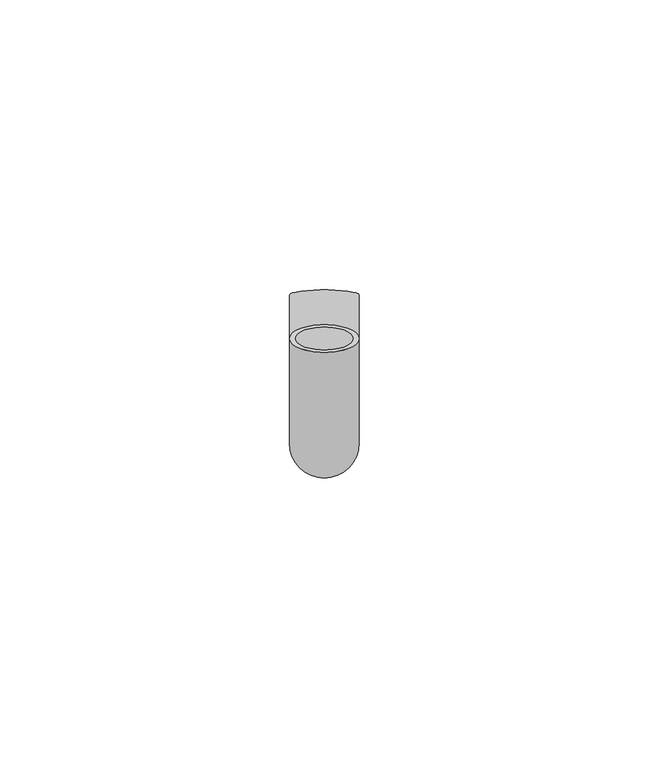
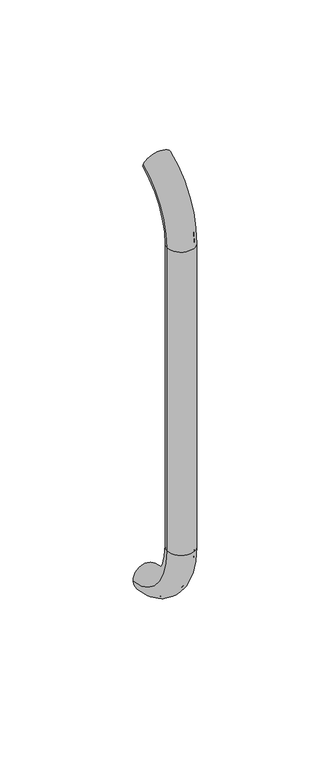
"""IFC4 building model written with IfcOpenShell, lengths in millimetres: beam geometry."""

from ifc_helpers import new_model, si_unit, point, frame, origin, place, context, project, spatial, polyline, circle_curve, ellipse_curve, trimmed, source, transform, mapped, element, save
from ifc_brep_helpers import plane_surface, cylinder_surface, revolved_surface, advanced_brep


def beam_13ada650(model_context):
    return source(origin(), model_context, "Body", "AdvancedBrep", [
        advanced_brep(
        [(5561.4386176, 2444.0395554, 1993.7787656), (5573.4386176, 2444.0395554, 1993.7787656), (5562.4386176, 2444.0395554, 1993.7787656), (5572.4386176, 2444.0395554, 1993.7787656), (5572.4386176, 2425.9629385, 1966.25), (5562.4386176, 2425.9629385, 1966.25), (5573.4386176, 2425.9629385, 1966.25), (5561.4386176, 2425.9629385, 1966.25), (5562.4386176, 2425.9629385, 1826.25), (5572.4386176, 2425.9629385, 1826.25), (5561.4386176, 2425.9629385, 1826.25), (5573.4386176, 2425.9629385, 1826.25), (5561.4386176, 2451.5825147, 1796.5715249), (5573.4386176, 2451.5825147, 1796.5715249), (5562.4386176, 2451.5825147, 1796.5715249), (5572.4386176, 2451.5825147, 1796.5715249)],
        [
            (0, 1, circle_curve(frame((5567.4386176, 2444.0395554, 1993.7787656), z_axis=(0.0, 0.9176255197351176, 0.3974461039321624), x_axis=(1.0, 0.0, 0.0)), 6.0)),
            (1, 0, circle_curve(frame((5567.4386176, 2444.0395554, 1993.7787656), z_axis=(0.0, 0.9176255197351176, 0.3974461039321624), x_axis=(1.0, 0.0, 0.0)), 6.0)),
            (2, 3, circle_curve(frame((5567.4386176, 2444.0395554, 1993.7787656), z_axis=(0.0, -0.9176255197351176, -0.3974461039321624), x_axis=(1.0, 0.0, 0.0)), 5.0)),
            (3, 2, circle_curve(frame((5567.4386176, 2444.0395554, 1993.7787656), z_axis=(0.0, -0.9176255197351176, -0.3974461039321624), x_axis=(1.0, 0.0, 0.0)), 5.0)),
            (4, 3, circle_curve(frame((5572.4386176, 2455.9629385, 1966.25), z_axis=(-1.0, 0.0, 0.0), x_axis=(0.0, -0.3974461039321624, 0.9176255197351176)), 30.0)),
            (2, 5, circle_curve(frame((5562.4386176, 2455.9629385, 1966.25), z_axis=(1.0, 0.0, 0.0), x_axis=(0.0, -0.3974461039321624, 0.9176255197351176)), 30.0)),
            (5, 4, circle_curve(frame((5567.4386176, 2425.9629385, 1966.25), z_axis=(0.0, 0.0, -1.0), x_axis=(1.0, 0.0, 0.0)), 5.0)),
            (4, 5, circle_curve(frame((5567.4386176, 2425.9629385, 1966.25), z_axis=(0.0, 0.0, -1.0), x_axis=(1.0, 0.0, 0.0)), 5.0)),
            (6, 1, circle_curve(frame((5573.4386176, 2455.9629385, 1966.25), z_axis=(-1.0, 0.0, 0.0), x_axis=(0.0, -0.3974461039321624, 0.9176255197351176)), 30.0)),
            (0, 7, circle_curve(frame((5561.4386176, 2455.9629385, 1966.25), z_axis=(1.0, 0.0, 0.0), x_axis=(0.0, -0.3974461039321624, 0.9176255197351176)), 30.0)),
            (7, 6, circle_curve(frame((5567.4386176, 2425.9629385, 1966.25), z_axis=(0.0, 0.0, 1.0), x_axis=(1.0, 0.0, 0.0)), 6.0)),
            (6, 7, circle_curve(frame((5567.4386176, 2425.9629385, 1966.25), z_axis=(0.0, 0.0, 1.0), x_axis=(1.0, 0.0, 0.0)), 6.0)),
            (5, 8),
            (8, 9, circle_curve(frame((5567.4386176, 2425.9629385, 1826.25), z_axis=(0.0, 0.0, -1.0), x_axis=(1.0, 0.0, 0.0)), 5.0)),
            (9, 4),
            (9, 8, circle_curve(frame((5567.4386176, 2425.9629385, 1826.25), z_axis=(0.0, 0.0, -1.0), x_axis=(1.0, 0.0, 0.0)), 5.0)),
            (7, 10),
            (10, 11, circle_curve(frame((5567.4386176, 2425.9629385, 1826.25), z_axis=(0.0, 0.0, 1.0), x_axis=(1.0, 0.0, 0.0)), 6.0)),
            (11, 6),
            (11, 10, circle_curve(frame((5567.4386176, 2425.9629385, 1826.25), z_axis=(0.0, 0.0, 1.0), x_axis=(1.0, 0.0, 0.0)), 6.0)),
            (12, 13, circle_curve(frame((5567.4386176, 2451.5825147, 1796.5715249), z_axis=(0.0, 0.9892825047438852, -0.14601412879466394), x_axis=(1.0, 0.0, 0.0)), 6.0)),
            (13, 12, circle_curve(frame((5567.4386176, 2451.5825147, 1796.5715249), z_axis=(0.0, 0.9892825047438852, -0.14601412879466394), x_axis=(1.0, 0.0, 0.0)), 6.0)),
            (14, 15, circle_curve(frame((5567.4386176, 2451.5825147, 1796.5715249), z_axis=(0.0, -0.9892825047438852, 0.14601412879466394), x_axis=(1.0, 0.0, 0.0)), 5.0)),
            (15, 14, circle_curve(frame((5567.4386176, 2451.5825147, 1796.5715249), z_axis=(0.0, -0.9892825047438852, 0.14601412879466394), x_axis=(1.0, 0.0, 0.0)), 5.0)),
            (15, 9, circle_curve(frame((5572.4386176, 2455.9629385, 1826.25), z_axis=(-1.0, 0.0, 0.0), x_axis=(0.0, -1.0, 0.0)), 30.0)),
            (8, 14, circle_curve(frame((5562.4386176, 2455.9629385, 1826.25), z_axis=(1.0, 0.0, 0.0), x_axis=(0.0, -1.0, 0.0)), 30.0)),
            (13, 11, circle_curve(frame((5573.4386176, 2455.9629385, 1826.25), z_axis=(-1.0, 0.0, 0.0), x_axis=(0.0, -1.0, 0.0)), 30.0)),
            (10, 12, circle_curve(frame((5561.4386176, 2455.9629385, 1826.25), z_axis=(1.0, 0.0, 0.0), x_axis=(0.0, -1.0, 0.0)), 30.0)),
        ],
        [
            plane_surface(frame((5567.4386176, 2444.0395554, 1993.7787656), z_axis=(0.0, 0.9176255197351176, 0.3974461039321624), x_axis=(1.0, 0.0, 0.0))),
            revolved_surface(trimmed(ellipse_curve(frame((5567.4386176, 2444.0395554, 1993.7787656), z_axis=(0.0, -0.9176255197351176, -0.3974461039321624), x_axis=(1.0, 0.0, 0.0)), 5.0, 5.0), [point((5562.4386176, 2444.0395554, 1993.7787656))], [point((5572.4386176, 2444.0395554, 1993.7787656))], True, "CARTESIAN"), (5567.4386176, 2455.9629385, 1966.25), (1.0, 0.0, 0.0)),
            revolved_surface(trimmed(ellipse_curve(frame((5567.4386176, 2444.0395554, 1993.7787656), z_axis=(0.0, -0.9176255197351176, -0.3974461039321624), x_axis=(1.0, 0.0, 0.0)), 5.0, 5.0), [point((5572.4386176, 2444.0395554, 1993.7787656))], [point((5562.4386176, 2444.0395554, 1993.7787656))], True, "CARTESIAN"), (5567.4386176, 2455.9629385, 1966.25), (1.0, 0.0, 0.0)),
            revolved_surface(trimmed(ellipse_curve(frame((5567.4386176, 2444.0395554, 1993.7787656), z_axis=(0.0, 0.9176255197351176, 0.3974461039321624), x_axis=(1.0, 0.0, 0.0)), 6.0, 6.0), [point((5561.4386176, 2444.0395554, 1993.7787656))], [point((5573.4386176, 2444.0395554, 1993.7787656))], True, "CARTESIAN"), (5567.4386176, 2455.9629385, 1966.25), (1.0, 0.0, 0.0)),
            revolved_surface(trimmed(ellipse_curve(frame((5567.4386176, 2444.0395554, 1993.7787656), z_axis=(0.0, 0.9176255197351176, 0.3974461039321624), x_axis=(1.0, 0.0, 0.0)), 6.0, 6.0), [point((5573.4386176, 2444.0395554, 1993.7787656))], [point((5561.4386176, 2444.0395554, 1993.7787656))], True, "CARTESIAN"), (5567.4386176, 2455.9629385, 1966.25), (1.0, 0.0, 0.0)),
            revolved_surface(polyline([(5572.4386176, 2425.9629385, 1826.25), (5572.4386176, 2425.9629385, 1966.25)]), (5567.4386176, 2425.9629385, 1966.25), (0.0, 0.0, -1.0)),
            cylinder_surface(frame((5567.4386176, 2425.9629385, 1966.25), z_axis=(0.0, 0.0, 1.0), x_axis=(1.0, 0.0, 0.0)), 6.0),
            plane_surface(frame((5567.4386176, 2451.5825147, 1796.5715249), z_axis=(0.0, 0.9892825047438852, -0.14601412879466397), x_axis=(1.0, 0.0, 0.0))),
            revolved_surface(trimmed(ellipse_curve(frame((5567.4386176, 2425.9629385, 1826.25), z_axis=(0.0, 0.0, -1.0), x_axis=(1.0, 0.0, 0.0)), 5.0, 5.0), [point((5562.4386176, 2425.9629385, 1826.25))], [point((5572.4386176, 2425.9629385, 1826.25))], True, "CARTESIAN"), (5567.4386176, 2455.9629385, 1826.25), (1.0, 0.0, 0.0)),
            revolved_surface(trimmed(ellipse_curve(frame((5567.4386176, 2425.9629385, 1826.25), z_axis=(0.0, 0.0, -1.0), x_axis=(1.0, 0.0, 0.0)), 5.0, 5.0), [point((5572.4386176, 2425.9629385, 1826.25))], [point((5562.4386176, 2425.9629385, 1826.25))], True, "CARTESIAN"), (5567.4386176, 2455.9629385, 1826.25), (1.0, 0.0, 0.0)),
            revolved_surface(trimmed(ellipse_curve(frame((5567.4386176, 2425.9629385, 1826.25), z_axis=(0.0, 0.0, 1.0), x_axis=(1.0, 0.0, 0.0)), 6.0, 6.0), [point((5561.4386176, 2425.9629385, 1826.25))], [point((5573.4386176, 2425.9629385, 1826.25))], True, "CARTESIAN"), (5567.4386176, 2455.9629385, 1826.25), (1.0, 0.0, 0.0)),
            revolved_surface(trimmed(ellipse_curve(frame((5567.4386176, 2425.9629385, 1826.25), z_axis=(0.0, 0.0, 1.0), x_axis=(1.0, 0.0, 0.0)), 6.0, 6.0), [point((5573.4386176, 2425.9629385, 1826.25))], [point((5561.4386176, 2425.9629385, 1826.25))], True, "CARTESIAN"), (5567.4386176, 2455.9629385, 1826.25), (1.0, 0.0, 0.0)),
        ],
        [
            (0, [[1, 2], [3, 4]]),
            (1, [[5, -3, 6, 7]]),
            (2, [[-6, -4, -5, 8]]),
            (3, [[9, -1, 10, 11]]),
            (4, [[-10, -2, -9, 12]]),
            (5, [[-7, 13, 14, 15]]),
            (5, [[-8, -15, 16, -13]]),
            (6, [[-11, 17, 18, 19]]),
            (6, [[-12, -19, 20, -17]]),
            (7, [[21, 22], [23, 24]]),
            (8, [[25, -14, 26, -24]]),
            (9, [[-26, -16, -25, -23]]),
            (10, [[27, -18, 28, -22]]),
            (11, [[-28, -20, -27, -21]]),
        ],
    ),
    ])


if __name__ == "__main__":
    model = new_model("IFC4")
    model_context = context("Model", 3, world=origin())
    ifc_project = project(units=[si_unit("LENGTHUNIT", "METRE", prefix="MILLI")], contexts=[model_context])
    site = spatial("IfcSite", under=ifc_project)
    building = spatial("IfcBuilding", under=site)
    placement = place(None, origin())
    beam_shape = beam_13ada650(model_context)
    element("IfcBeam", 1, at=placement, inside=building, context=model_context, shape_type="MappedRepresentation", body=[
        mapped(beam_shape, transform((0.0, 0.0, 0.0), x_axis=(1.0, 0.0, 0.0), y_axis=(0.0, 1.0, 0.0), z_axis=(0.0, 0.0, 1.0))),
    ])
    save(model, "model.ifc")
